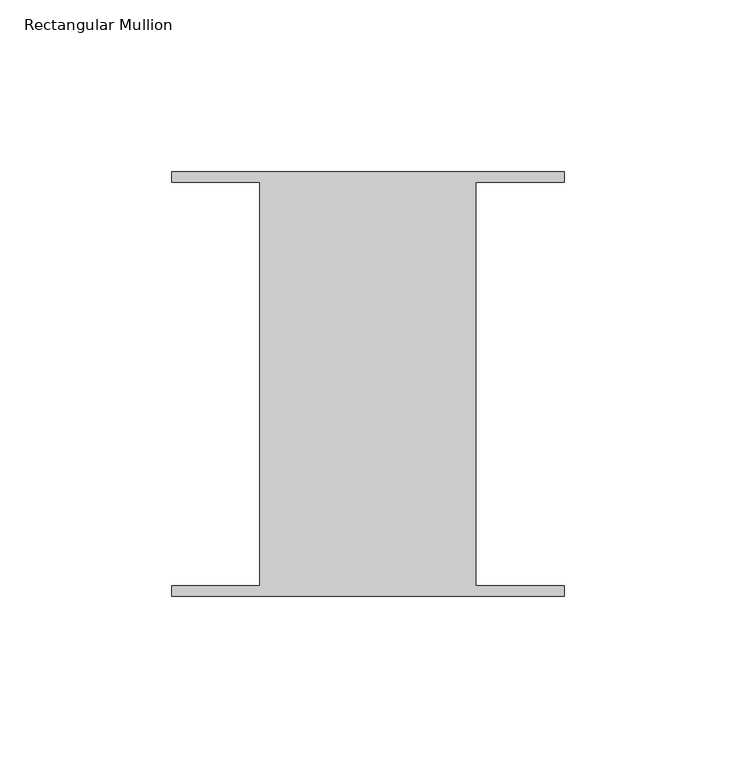
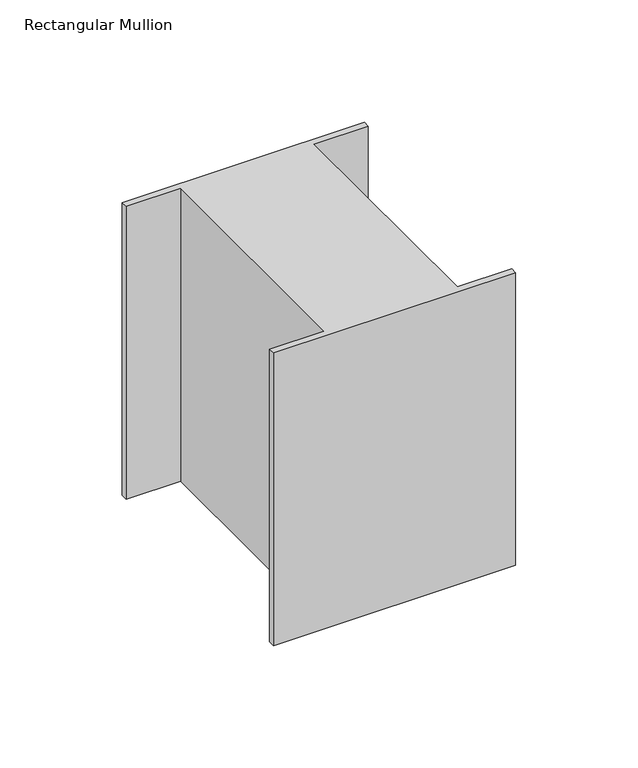
"""IFC4 building model written with IfcOpenShell, lengths in millimetres: member geometry, Rectangular Mullion."""

import ifcopenshell
import ifcopenshell.guid

model = None  # the IFC model being written
_history = None  # IfcOwnerHistory: only IFC2X3 demands one
_inside = {}  # id of a spatial element -> (the spatial element, [elements in it])
_under = {}  # id of a project, library or spatial element -> (it, [spatial elements below it])
_declared = {}  # id of a project -> (the project, [libraries it declares])
_typed = {}  # id of a type object -> (the type object, [elements of that type])
_made_of = {}  # id of a material, layer set ... -> (it, [elements and type objects made of it])


def new_model(schema):
    """Start an empty IFC model of exactly this schema.

    Asked for "IFC4X3", IfcOpenShell would pick the latest addendum, in which some entities
    have other attributes; the version numbers below select the first issue.
    IFC2X3 requires an IfcOwnerHistory on every rooted entity: one is made here for all.
    """
    global model, _history
    if schema == "IFC4X3":
        model = ifcopenshell.file(schema_version=(4, 3, 0, 0))
    else:
        model = ifcopenshell.file(schema=schema)
    _inside.clear()
    _under.clear()
    _declared.clear()
    _typed.clear()
    _made_of.clear()
    _history = None
    if model.schema == "IFC2X3":
        org = make("IfcOrganization", Name="unknown")
        user = make(
            "IfcPersonAndOrganization",
            ThePerson=make("IfcPerson", FamilyName="unknown"),
            TheOrganization=org,
        )
        app = make(
            "IfcApplication",
            ApplicationDeveloper=org,
            Version="unknown",
            ApplicationFullName="unknown",
            ApplicationIdentifier="unknown",
        )
        _history = make(
            "IfcOwnerHistory",
            OwningUser=user,
            OwningApplication=app,
            ChangeAction="ADDED",
            CreationDate=0,
        )
    return model


def make(cls, **values):
    """One entity of the class cls with the attributes given. An attribute that is None is left unset."""
    return model.create_entity(
        cls, **{name: value for name, value in values.items() if value is not None}
    )


def rooted(cls, **values):
    """An entity with a GlobalId (a new one), such as an element, a storey or a relation."""
    return make(cls, GlobalId=ifcopenshell.guid.new(), OwnerHistory=_history, **values)


def si_unit(unit_type, name, prefix=None):
    """IfcSIUnit, for example si_unit("LENGTHUNIT", "METRE", prefix="MILLI")."""
    return make("IfcSIUnit", UnitType=unit_type, Prefix=prefix, Name=name)


def assignment(units):
    """IfcUnitAssignment: the units of a project."""
    return None if units is None else make("IfcUnitAssignment", Units=units)


def point(xyz):
    """IfcCartesianPoint."""
    return None if xyz is None else make("IfcCartesianPoint", Coordinates=xyz)


def direction(xyz):
    """IfcDirection."""
    return None if xyz is None else make("IfcDirection", DirectionRatios=xyz)


def frame(location, z_axis=None, x_axis=None):
    """IfcAxis2Placement3D, a coordinate frame: its origin and axes. An axis left out is left unset."""
    return make(
        "IfcAxis2Placement3D",
        Location=point(location),
        Axis=direction(z_axis),
        RefDirection=direction(x_axis),
    )


def origin():
    """The frame at (0, 0, 0) with its axes left unset."""
    return frame((0.0, 0.0, 0.0))


def place(relative_to, where):
    """IfcLocalPlacement: puts the frame where relative to a parent placement (None: the world)."""
    return make(
        "IfcLocalPlacement", PlacementRelTo=relative_to, RelativePlacement=where
    )


def context(
    kind, dimensions, precision=None, world=None, true_north=None, identifier=None
):
    """IfcGeometricRepresentationContext, for example the 3D "Model" context."""
    return make(
        "IfcGeometricRepresentationContext",
        ContextIdentifier=identifier,
        ContextType=kind,
        CoordinateSpaceDimension=dimensions,
        Precision=precision,
        WorldCoordinateSystem=world,
        TrueNorth=true_north,
    )


def project(units=None, contexts=None):
    """IfcProject with its units and contexts."""
    return rooted(
        "IfcProject",
        Name="project",
        RepresentationContexts=contexts,
        UnitsInContext=assignment(units),
    )


def spatial(cls, under=None, at=None, **own):
    """A site, building, storey or space (cls), placed at a placement, below another one or the project."""
    s = rooted(cls, ObjectPlacement=at, **own)
    if under is not None:
        _under.setdefault(under.id(), (under, []))[1].append(s)
    return s


def polyline(points):
    """IfcPolyline through the points."""
    return make("IfcPolyline", Points=[point(p) for p in points])


def outline(outer, holes=None, kind="AREA"):
    """IfcArbitraryClosedProfileDef: a profile drawn as a closed curve; with holes, ...WithVoids."""
    if holes is None:
        return make("IfcArbitraryClosedProfileDef", ProfileType=kind, OuterCurve=outer)
    return make(
        "IfcArbitraryProfileDefWithVoids",
        ProfileType=kind,
        OuterCurve=outer,
        InnerCurves=holes,
    )


def extrude(swept, where, along, depth):
    """IfcExtrudedAreaSolid: the profile swept, set in the frame where, extruded along a direction by depth."""
    return make(
        "IfcExtrudedAreaSolid",
        SweptArea=swept,
        Position=where,
        ExtrudedDirection=direction(along),
        Depth=depth,
    )


def shape(context_of_items, identifier, shape_type, items):
    """IfcShapeRepresentation: the items that make up one representation, for example the "Body"."""
    return make(
        "IfcShapeRepresentation",
        ContextOfItems=context_of_items,
        RepresentationIdentifier=identifier,
        RepresentationType=shape_type,
        Items=items,
    )


def source(mapping_origin, context_of_items, identifier, shape_type, items):
    """IfcRepresentationMap: a shape defined once, which mapped items show again and again."""
    return make(
        "IfcRepresentationMap",
        MappingOrigin=mapping_origin,
        MappedRepresentation=shape(context_of_items, identifier, shape_type, items),
    )


def transform(
    local_origin,
    x_axis=None,
    y_axis=None,
    z_axis=None,
    scale=None,
    scale2=None,
    scale3=None,
    uniform=True,
):
    """IfcCartesianTransformationOperator3D, or its non-uniform kind. x_axis, y_axis, z_axis: its Axis1, 2, 3."""
    if uniform:
        return make(
            "IfcCartesianTransformationOperator3D",
            Axis1=direction(x_axis),
            Axis2=direction(y_axis),
            LocalOrigin=point(local_origin),
            Scale=scale,
            Axis3=direction(z_axis),
        )
    return make(
        "IfcCartesianTransformationOperator3DnonUniform",
        Axis1=direction(x_axis),
        Axis2=direction(y_axis),
        LocalOrigin=point(local_origin),
        Scale=scale,
        Axis3=direction(z_axis),
        Scale2=scale2,
        Scale3=scale3,
    )


def mapped(mapping_source, mapping_target):
    """IfcMappedItem: shows the shape of a source again, moved by a transform."""
    return make(
        "IfcMappedItem", MappingSource=mapping_source, MappingTarget=mapping_target
    )


def made_of(thing, what):
    """Note that an element or type object is made of a material, layer set ...; save() writes the relation."""
    if what is not None:
        _made_of.setdefault(what.id(), (what, []))[1].append(thing)
    return thing


def element(
    cls,
    number,
    at=None,
    inside=None,
    cuts=None,
    type_object=None,
    material=None,
    context=None,
    identifier="Body",
    shape_type=None,
    held_by="IfcProductDefinitionShape",
    body=None,
    shapes=None,
    **own,
):
    """One element of the class cls, such as IfcWall. Its Tag is "e" and its number.

    at: its placement. inside: the storey or other place that contains it. cuts: it is an
    opening in that element (IfcRelVoidsElement). A single representation is given by context,
    identifier, shape_type and body (its items); several are given by shapes. held_by: the class
    of the entity that holds the representations. save() writes the other relations.
    """
    e = rooted(cls, Tag="e%d" % number, ObjectPlacement=at, **own)
    if body is not None:
        shapes = [shape(context, identifier, shape_type, body)]
    if shapes is not None:
        e.Representation = make(held_by, Representations=shapes)
    if inside is not None:
        _inside.setdefault(inside.id(), (inside, []))[1].append(e)
    if cuts is not None:
        rooted(
            "IfcRelVoidsElement", RelatingBuildingElement=cuts, RelatedOpeningElement=e
        )
    if type_object is not None:
        _typed.setdefault(type_object.id(), (type_object, []))[1].append(e)
    return made_of(e, material)


def aggregate(whole, parts):
    """IfcRelAggregates: a whole, such as a stair, and the parts it consists of."""
    return rooted("IfcRelAggregates", RelatingObject=whole, RelatedObjects=parts)


def save(model, path):
    """Write the relations noted so far, then the file.

    IfcRelAggregates (storeys below a building ...), IfcRelContainedInSpatialStructure (elements
    in a storey), IfcRelDefinesByType, IfcRelAssociatesMaterial and IfcRelDeclares: one each for
    every whole, place, type object, material and project.
    """
    for whole, parts in _under.values():
        aggregate(whole, parts)
    for where, things in _inside.values():
        rooted(
            "IfcRelContainedInSpatialStructure",
            RelatedElements=things,
            RelatingStructure=where,
        )
    for kind, things in _typed.values():
        rooted("IfcRelDefinesByType", RelatedObjects=things, RelatingType=kind)
    for what, things in _made_of.values():
        rooted("IfcRelAssociatesMaterial", RelatedObjects=things, RelatingMaterial=what)
    for by, libraries in _declared.values():
        rooted("IfcRelDeclares", RelatingContext=by, RelatedDefinitions=libraries)
    model.write(path)


def rectangular_mullion_94b6f8bf(model_context):
    return source(origin(), model_context, "Body", "SweptSolid", [
        extrude(outline(polyline([(31.4523438, 58.6995588), (31.4523437, -58.7754412), (57.15, -58.7754413), (57.15, -61.8512225), (-57.15, -61.8512225), (-57.15, -58.7754413), (-31.4523438, -58.7754412), (-31.4523437, 58.6995588), (-57.15, 58.6995587), (-57.15, 61.77534), (57.15, 61.77534), (57.15, 58.6995587), (31.4523438, 58.6995588)])), frame((0.0, 0.0, -146.05), z_axis=(0.0, 0.0, 1.0), x_axis=(1.0, 0.0, 0.0)), (0.0, 0.0, 1.0), 146.05),
    ])


if __name__ == "__main__":
    model = new_model("IFC4")
    model_context = context("Model", 3, world=origin())
    ifc_project = project(units=[si_unit("LENGTHUNIT", "METRE", prefix="MILLI")], contexts=[model_context])
    site = spatial("IfcSite", under=ifc_project)
    building = spatial("IfcBuilding", under=site)
    placement = place(None, origin())
    rectangular_mullion_shape = rectangular_mullion_94b6f8bf(model_context)
    element("IfcMember", 1, ObjectType="Rectangular Mullion", at=placement, inside=building, context=model_context, shape_type="MappedRepresentation", body=[
        mapped(rectangular_mullion_shape, transform((0.0, 0.0, 0.0), x_axis=(1.0, 0.0, 0.0), y_axis=(0.0, 1.0, 0.0), z_axis=(0.0, 0.0, 1.0))),
    ])
    save(model, "model.ifc")
